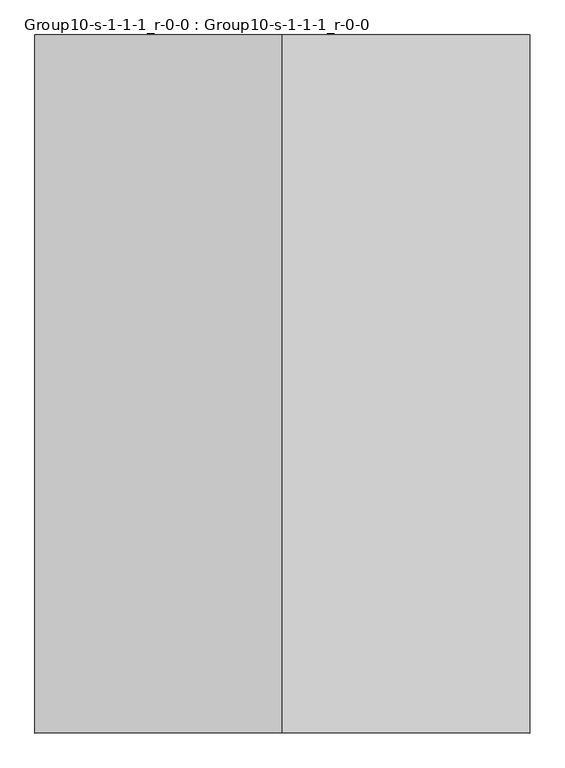
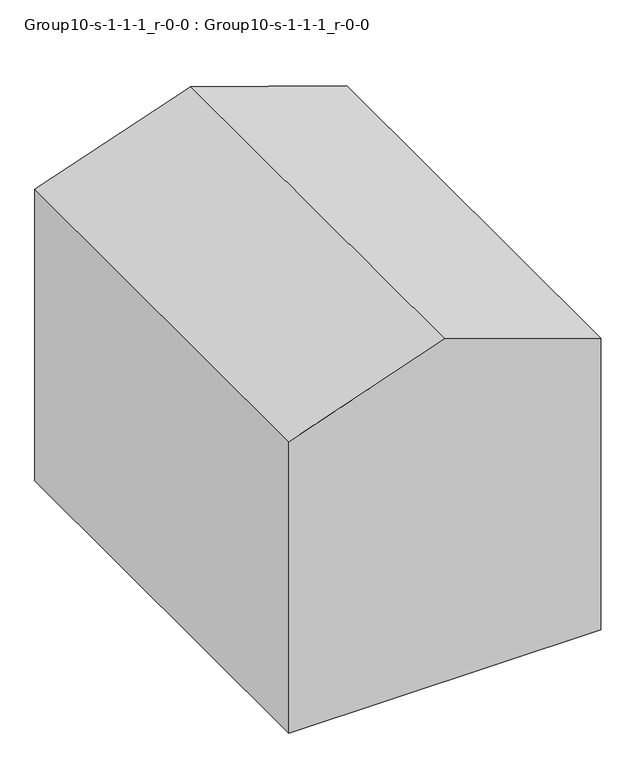
"""IFC4 building model written with IfcOpenShell, lengths in millimetres: geographic element geometry, Group10-s-1-1-1_r-0-0 : Group10-s-1-1-1_r-0-0."""

import ifcopenshell
import ifcopenshell.guid

model = None  # the IFC model being written
_history = None  # IfcOwnerHistory: only IFC2X3 demands one
_inside = {}  # id of a spatial element -> (the spatial element, [elements in it])
_under = {}  # id of a project, library or spatial element -> (it, [spatial elements below it])
_declared = {}  # id of a project -> (the project, [libraries it declares])
_typed = {}  # id of a type object -> (the type object, [elements of that type])
_made_of = {}  # id of a material, layer set ... -> (it, [elements and type objects made of it])


def new_model(schema):
    """Start an empty IFC model of exactly this schema.

    Asked for "IFC4X3", IfcOpenShell would pick the latest addendum, in which some entities
    have other attributes; the version numbers below select the first issue.
    IFC2X3 requires an IfcOwnerHistory on every rooted entity: one is made here for all.
    """
    global model, _history
    if schema == "IFC4X3":
        model = ifcopenshell.file(schema_version=(4, 3, 0, 0))
    else:
        model = ifcopenshell.file(schema=schema)
    _inside.clear()
    _under.clear()
    _declared.clear()
    _typed.clear()
    _made_of.clear()
    _history = None
    if model.schema == "IFC2X3":
        org = make("IfcOrganization", Name="unknown")
        user = make(
            "IfcPersonAndOrganization",
            ThePerson=make("IfcPerson", FamilyName="unknown"),
            TheOrganization=org,
        )
        app = make(
            "IfcApplication",
            ApplicationDeveloper=org,
            Version="unknown",
            ApplicationFullName="unknown",
            ApplicationIdentifier="unknown",
        )
        _history = make(
            "IfcOwnerHistory",
            OwningUser=user,
            OwningApplication=app,
            ChangeAction="ADDED",
            CreationDate=0,
        )
    return model


def make(cls, **values):
    """One entity of the class cls with the attributes given. An attribute that is None is left unset."""
    return model.create_entity(
        cls, **{name: value for name, value in values.items() if value is not None}
    )


def rooted(cls, **values):
    """An entity with a GlobalId (a new one), such as an element, a storey or a relation."""
    return make(cls, GlobalId=ifcopenshell.guid.new(), OwnerHistory=_history, **values)


def si_unit(unit_type, name, prefix=None):
    """IfcSIUnit, for example si_unit("LENGTHUNIT", "METRE", prefix="MILLI")."""
    return make("IfcSIUnit", UnitType=unit_type, Prefix=prefix, Name=name)


def assignment(units):
    """IfcUnitAssignment: the units of a project."""
    return None if units is None else make("IfcUnitAssignment", Units=units)


def point(xyz):
    """IfcCartesianPoint."""
    return None if xyz is None else make("IfcCartesianPoint", Coordinates=xyz)


def direction(xyz):
    """IfcDirection."""
    return None if xyz is None else make("IfcDirection", DirectionRatios=xyz)


def frame(location, z_axis=None, x_axis=None):
    """IfcAxis2Placement3D, a coordinate frame: its origin and axes. An axis left out is left unset."""
    return make(
        "IfcAxis2Placement3D",
        Location=point(location),
        Axis=direction(z_axis),
        RefDirection=direction(x_axis),
    )


def origin():
    """The frame at (0, 0, 0) with its axes left unset."""
    return frame((0.0, 0.0, 0.0))


def place(relative_to, where):
    """IfcLocalPlacement: puts the frame where relative to a parent placement (None: the world)."""
    return make(
        "IfcLocalPlacement", PlacementRelTo=relative_to, RelativePlacement=where
    )


def context(
    kind, dimensions, precision=None, world=None, true_north=None, identifier=None
):
    """IfcGeometricRepresentationContext, for example the 3D "Model" context."""
    return make(
        "IfcGeometricRepresentationContext",
        ContextIdentifier=identifier,
        ContextType=kind,
        CoordinateSpaceDimension=dimensions,
        Precision=precision,
        WorldCoordinateSystem=world,
        TrueNorth=true_north,
    )


def project(units=None, contexts=None):
    """IfcProject with its units and contexts."""
    return rooted(
        "IfcProject",
        Name="project",
        RepresentationContexts=contexts,
        UnitsInContext=assignment(units),
    )


def spatial(cls, under=None, at=None, **own):
    """A site, building, storey or space (cls), placed at a placement, below another one or the project."""
    s = rooted(cls, ObjectPlacement=at, **own)
    if under is not None:
        _under.setdefault(under.id(), (under, []))[1].append(s)
    return s


def point_list(points):
    """IfcCartesianPointList2D or 3D."""
    cls = (
        "IfcCartesianPointList2D" if len(points[0]) == 2 else "IfcCartesianPointList3D"
    )
    return make(cls, CoordList=points)


def triangles(points, corners, closed=None, point_numbers=None):
    """IfcTriangulatedFaceSet: each triangle names its three corners, points numbered from 1."""
    return make(
        "IfcTriangulatedFaceSet",
        Coordinates=point_list(points),
        Closed=closed,
        CoordIndex=corners,
        PnIndex=point_numbers,
    )


def shape(context_of_items, identifier, shape_type, items):
    """IfcShapeRepresentation: the items that make up one representation, for example the "Body"."""
    return make(
        "IfcShapeRepresentation",
        ContextOfItems=context_of_items,
        RepresentationIdentifier=identifier,
        RepresentationType=shape_type,
        Items=items,
    )


def source(mapping_origin, context_of_items, identifier, shape_type, items):
    """IfcRepresentationMap: a shape defined once, which mapped items show again and again."""
    return make(
        "IfcRepresentationMap",
        MappingOrigin=mapping_origin,
        MappedRepresentation=shape(context_of_items, identifier, shape_type, items),
    )


def transform(
    local_origin,
    x_axis=None,
    y_axis=None,
    z_axis=None,
    scale=None,
    scale2=None,
    scale3=None,
    uniform=True,
):
    """IfcCartesianTransformationOperator3D, or its non-uniform kind. x_axis, y_axis, z_axis: its Axis1, 2, 3."""
    if uniform:
        return make(
            "IfcCartesianTransformationOperator3D",
            Axis1=direction(x_axis),
            Axis2=direction(y_axis),
            LocalOrigin=point(local_origin),
            Scale=scale,
            Axis3=direction(z_axis),
        )
    return make(
        "IfcCartesianTransformationOperator3DnonUniform",
        Axis1=direction(x_axis),
        Axis2=direction(y_axis),
        LocalOrigin=point(local_origin),
        Scale=scale,
        Axis3=direction(z_axis),
        Scale2=scale2,
        Scale3=scale3,
    )


def mapped(mapping_source, mapping_target):
    """IfcMappedItem: shows the shape of a source again, moved by a transform."""
    return make(
        "IfcMappedItem", MappingSource=mapping_source, MappingTarget=mapping_target
    )


def made_of(thing, what):
    """Note that an element or type object is made of a material, layer set ...; save() writes the relation."""
    if what is not None:
        _made_of.setdefault(what.id(), (what, []))[1].append(thing)
    return thing


def element(
    cls,
    number,
    at=None,
    inside=None,
    cuts=None,
    type_object=None,
    material=None,
    context=None,
    identifier="Body",
    shape_type=None,
    held_by="IfcProductDefinitionShape",
    body=None,
    shapes=None,
    **own,
):
    """One element of the class cls, such as IfcWall. Its Tag is "e" and its number.

    at: its placement. inside: the storey or other place that contains it. cuts: it is an
    opening in that element (IfcRelVoidsElement). A single representation is given by context,
    identifier, shape_type and body (its items); several are given by shapes. held_by: the class
    of the entity that holds the representations. save() writes the other relations.
    """
    e = rooted(cls, Tag="e%d" % number, ObjectPlacement=at, **own)
    if body is not None:
        shapes = [shape(context, identifier, shape_type, body)]
    if shapes is not None:
        e.Representation = make(held_by, Representations=shapes)
    if inside is not None:
        _inside.setdefault(inside.id(), (inside, []))[1].append(e)
    if cuts is not None:
        rooted(
            "IfcRelVoidsElement", RelatingBuildingElement=cuts, RelatedOpeningElement=e
        )
    if type_object is not None:
        _typed.setdefault(type_object.id(), (type_object, []))[1].append(e)
    return made_of(e, material)


def aggregate(whole, parts):
    """IfcRelAggregates: a whole, such as a stair, and the parts it consists of."""
    return rooted("IfcRelAggregates", RelatingObject=whole, RelatedObjects=parts)


def save(model, path):
    """Write the relations noted so far, then the file.

    IfcRelAggregates (storeys below a building ...), IfcRelContainedInSpatialStructure (elements
    in a storey), IfcRelDefinesByType, IfcRelAssociatesMaterial and IfcRelDeclares: one each for
    every whole, place, type object, material and project.
    """
    for whole, parts in _under.values():
        aggregate(whole, parts)
    for where, things in _inside.values():
        rooted(
            "IfcRelContainedInSpatialStructure",
            RelatedElements=things,
            RelatingStructure=where,
        )
    for kind, things in _typed.values():
        rooted("IfcRelDefinesByType", RelatedObjects=things, RelatingType=kind)
    for what, things in _made_of.values():
        rooted("IfcRelAssociatesMaterial", RelatedObjects=things, RelatingMaterial=what)
    for by, libraries in _declared.values():
        rooted("IfcRelDeclares", RelatingContext=by, RelatedDefinitions=libraries)
    model.write(path)


def group10_s_1_1_1_r_0_0_group10_s_1_1_1_r_0_0_780f1f85(model_context):
    return source(origin(), model_context, "Body", "Tessellation", [
        triangles([(13236.5118256, 18671.3033478, 0.0), (0.0, 0.0, 0.0), (0.0, 18671.3033478, 0.0), (13236.5118256, 0.0, 0.0), (0.0, 18671.3033478, 13079.4121124), (0.0, 0.0, 13079.4121124), (13236.5118256, 0.0, 13079.4121124), (13236.5118256, 18671.3033478, 13079.4121124), (6618.2559128, 0.0, 15361.3181763), (6618.2559128, 18671.3033478, 15361.3181763)], [[1, 2, 3], [2, 1, 4], [5, 2, 6], [2, 5, 3], [1, 7, 4], [7, 1, 8], [9, 5, 6], [5, 9, 10], [5, 1, 3], [1, 5, 8], [8, 5, 10], [7, 2, 4], [2, 7, 6], [6, 7, 9], [7, 10, 9], [10, 7, 8]]),
    ])


if __name__ == "__main__":
    model = new_model("IFC4")
    model_context = context("Model", 3, world=origin())
    ifc_project = project(units=[si_unit("LENGTHUNIT", "METRE", prefix="MILLI")], contexts=[model_context])
    site = spatial("IfcSite", under=ifc_project)
    building = spatial("IfcBuilding", under=site)
    placement = place(None, origin())
    group10_s_1_1_1_r_0_0_group10_s_1_1_1_r_0_0_shape = group10_s_1_1_1_r_0_0_group10_s_1_1_1_r_0_0_780f1f85(model_context)
    element("IfcGeographicElement", 1, ObjectType="Group10-s-1-1-1_r-0-0 : Group10-s-1-1-1_r-0-0", at=placement, inside=building, context=model_context, shape_type="MappedRepresentation", body=[
        mapped(group10_s_1_1_1_r_0_0_group10_s_1_1_1_r_0_0_shape, transform((0.0, 0.0, 0.0), x_axis=(1.0, 0.0, 0.0), y_axis=(0.0, 1.0, 0.0), z_axis=(0.0, 0.0, 1.0))),
    ])
    save(model, "model.ifc")
